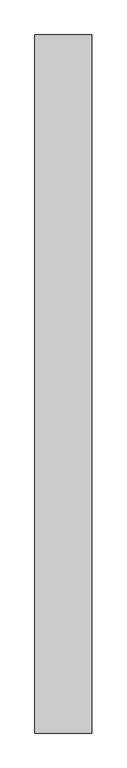
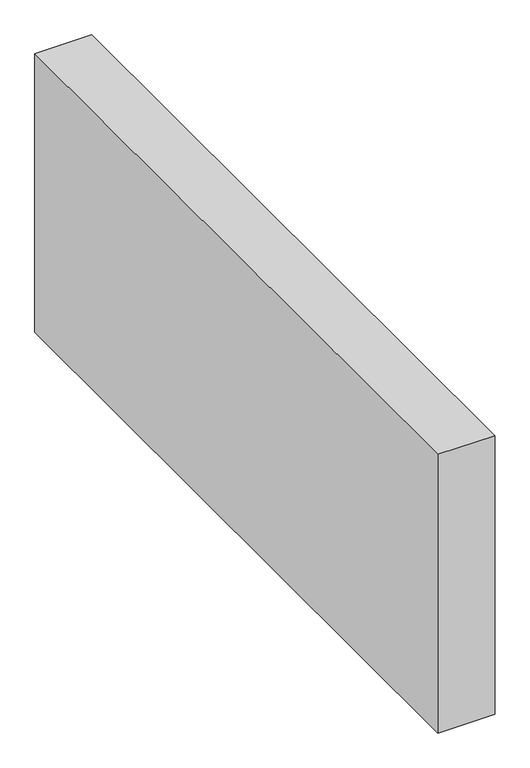
"""IFC4 building model written with IfcOpenShell, lengths in millimetres: proxy geometry."""

from ifc_helpers import new_model, si_unit, origin, origin_with_axes, place, context, project, spatial, polyline, outline, extrude, source, transform, mapped, element, save


def generic_models_18ebc727(model_context):
    return source(origin(), model_context, "Body", "SweptSolid", [
        extrude(outline(polyline([(150.0, 1841.3155803), (150.0, 0.0), (0.0, 0.0), (0.0, 1841.3155803), (150.0, 1841.3155803)])), origin_with_axes(), (0.0, 0.0, 1.0), 776.6553396),
    ])


if __name__ == "__main__":
    model = new_model("IFC4")
    model_context = context("Model", 3, world=origin())
    ifc_project = project(units=[si_unit("LENGTHUNIT", "METRE", prefix="MILLI")], contexts=[model_context])
    site = spatial("IfcSite", under=ifc_project)
    building = spatial("IfcBuilding", under=site)
    placement = place(None, origin())
    generic_models_shape = generic_models_18ebc727(model_context)
    element("IfcBuildingElementProxy", 1, Name="Generic Models", at=placement, inside=building, context=model_context, shape_type="MappedRepresentation", body=[
        mapped(generic_models_shape, transform((0.0, 0.0, 0.0), x_axis=(1.0, 0.0, 0.0), y_axis=(0.0, 1.0, 0.0), z_axis=(0.0, 0.0, 1.0))),
    ])
    save(model, "model.ifc")
